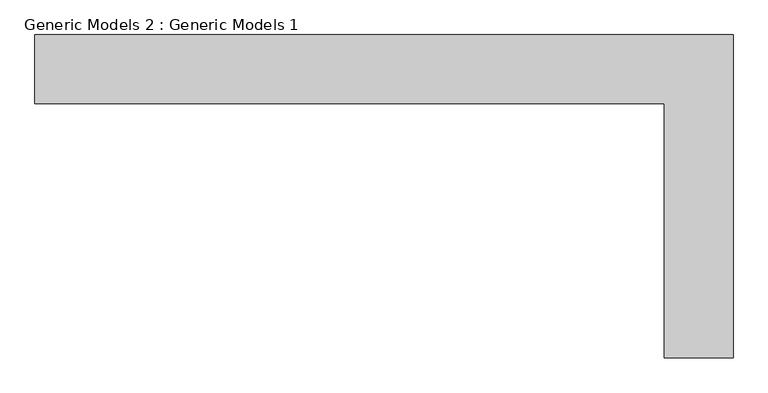
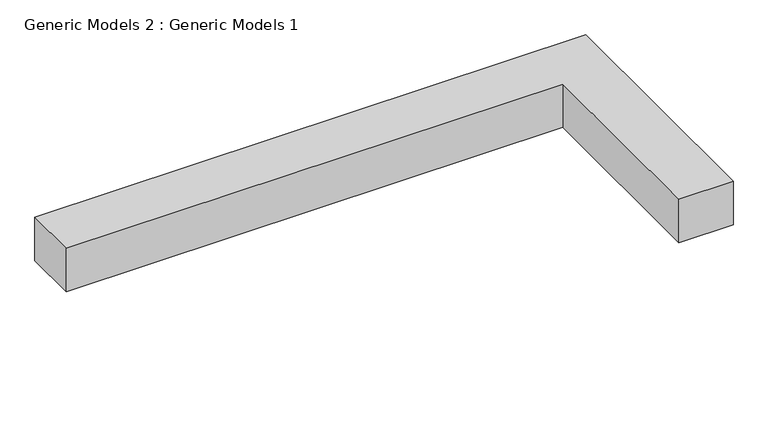
"""IFC4 building model written with IfcOpenShell, lengths in millimetres: proxy geometry, Generic Models 2 : Generic Models 1."""

from ifc_helpers import new_model, si_unit, origin, origin_with_axes, place, context, project, spatial, polyline, outline, extrude, source, transform, mapped, element, save


def generic_models_2_generic_models_1_46b9d6b4(model_context):
    return source(origin(), model_context, "Body", "SweptSolid", [
        extrude(outline(polyline([(454223.2254676, -267100.8580223), (459120.3436362, -267100.8580223), (459120.3436362, -269370.2757335), (458637.7436362, -269370.2757335), (458637.7436362, -267583.4580223), (454223.2254676, -267583.4580223), (454223.2254676, -267100.8580223)])), origin_with_axes(), (0.0, 0.0, 1.0), 406.4),
    ])


if __name__ == "__main__":
    model = new_model("IFC4")
    model_context = context("Model", 3, world=origin())
    ifc_project = project(units=[si_unit("LENGTHUNIT", "METRE", prefix="MILLI")], contexts=[model_context])
    site = spatial("IfcSite", under=ifc_project)
    building = spatial("IfcBuilding", under=site)
    placement = place(None, origin())
    generic_models_2_generic_models_1_shape = generic_models_2_generic_models_1_46b9d6b4(model_context)
    element("IfcBuildingElementProxy", 1, Name="Generic Models 2 : Generic Models 1", ObjectType="Generic Models 2 : Generic Models 1", at=placement, inside=building, context=model_context, shape_type="MappedRepresentation", body=[
        mapped(generic_models_2_generic_models_1_shape, transform((0.0, 0.0, 0.0), x_axis=(1.0, 0.0, 0.0), y_axis=(0.0, 1.0, 0.0), z_axis=(0.0, 0.0, 1.0))),
    ])
    save(model, "model.ifc")
